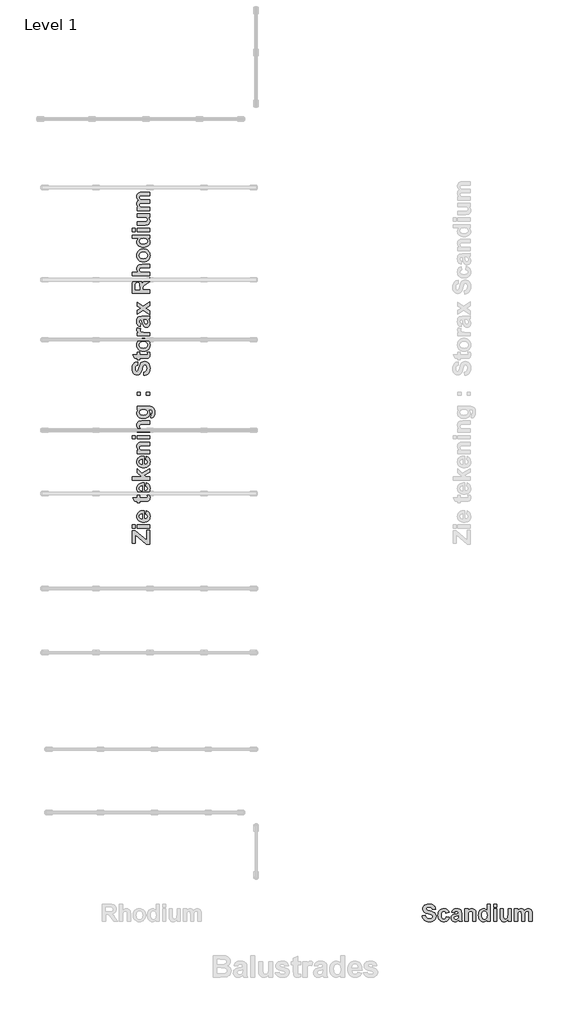
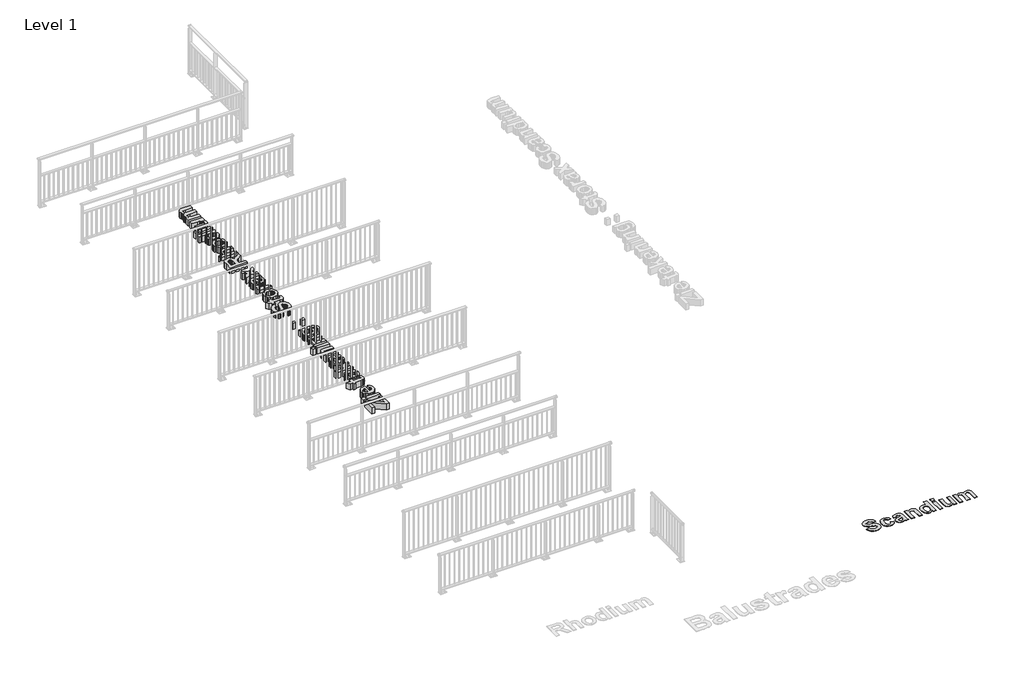
# One storey, part 12 of 20: 2 proxies.
"""IFC4 building model written with IfcOpenShell, lengths in millimetres."""

from ifc_helpers import new_model, si_unit, origin, origin_with_axes, place, context, project, spatial, polyline, outline, extrude, element, save

model = new_model("IFC4")

# Units and contexts
model_context = context("Model", 3, world=origin())
ifc_project = project(units=[si_unit("LENGTHUNIT", "METRE", prefix="MILLI")], contexts=[model_context])

# Site, building, storey
site = spatial("IfcSite", under=ifc_project)
building = spatial("IfcBuilding", under=site)
storey = spatial("IfcBuildingStorey", under=building, Name="Level 1", Elevation=0.0)

# Proxies
placement = place(None, origin())
element("IfcBuildingElementProxy", 1, Name="400mm", ObjectType="400mm", at=placement, inside=storey, context=model_context, shape_type="SweptSolid", body=[
    extrude(outline(polyline([(11145.7837333, -15604.7604972), (11221.9742095, -15598.4112909), (11233.0853206, -15632.4886718), (11251.7361143, -15656.1493861), (11278.0505984, -15669.9886718), (11312.1527809, -15674.6017671), (11347.544646, -15670.521906), (11372.966273, -15658.2823226), (11388.2936539, -15640.5863901), (11393.4027809, -15620.1374814), (11391.2822452, -15607.178652), (11384.9206381, -15596.2783544), (11373.2514912, -15587.0645647), (11355.2083365, -15579.1652591), (11289.1369079, -15562.2009734), (11232.7380984, -15544.6662512), (11211.9419674, -15534.429396), (11196.0813524, -15523.2128782), (11179.6316996, -15505.8455667), (11167.8819476, -15486.6801401), (11160.8320964, -15465.7165984), (11158.482146, -15442.9549417), (11162.7976222, -15413.490656), (11175.7440508, -15386.0104972), (11196.8254, -15362.6722036), (11225.5456381, -15345.6335131), (11261.4335349, -15335.2168464), (11304.0178603, -15331.7446242), (11339.2454149, -15333.9085627), (11369.8288722, -15340.4003782), (11395.7682323, -15351.2200706), (11417.0634952, -15366.3676401), (11433.7828653, -15385.1238405), (11445.9945468, -15406.7694258), (11453.6985399, -15431.304396), (11456.8948444, -15458.7287512), (11380.7043682, -15458.7287512), (11372.2842293, -15432.5506758), (11357.7380984, -15414.929148), (11335.7266897, -15404.9217075), (11304.9107174, -15401.5858941), (11272.4702412, -15405.132521), (11247.966273, -15415.772402), (11237.9960349, -15426.4370845), (11234.6726222, -15440.1771639), (11237.6984158, -15453.1483941), (11246.7757968, -15464.0858941), (11273.1274833, -15476.8959139), (11321.4285746, -15490.1275607), (11372.9786738, -15503.8924417), (11409.0773841, -15518.3021639), (11434.3750031, -15535.7500806), (11453.5218285, -15558.6295449), (11465.5754, -15587.225775), (11469.5932571, -15621.8239893), (11464.8437531, -15654.8597036), (11450.5952412, -15685.7128782), (11427.653773, -15711.6553385), (11396.8254, -15729.9589099), (11357.7753008, -15740.8220052), (11310.1686539, -15744.4430369), (11274.5659754, -15742.2139943), (11243.3531778, -15735.5268663), (11216.5302611, -15724.381653), (11194.0972254, -15708.7783544), (11175.8990607, -15688.9029824), (11161.7807571, -15664.9415488), (11151.7423147, -15636.8940538), (11145.7837333, -15604.7604972)])), origin_with_axes(), (0.0, 0.0, 1.0), 5.0),
    extrude(outline(polyline([(11774.3551619, -15528.570021), (11698.1646857, -15541.2684337), (11692.3239119, -15521.8859933), (11681.9444476, -15507.9847036), (11667.3983166, -15499.6141679), (11649.0575428, -15496.8239893), (11624.9007968, -15502.0571242), (11606.2004, -15517.756529), (11599.2125528, -15529.9775111), (11594.2212333, -15545.7079179), (11590.2281778, -15587.6970052), (11594.3824436, -15634.2495845), (11599.575276, -15651.5176897), (11606.8452412, -15664.7803385), (11626.3020865, -15681.6702195), (11651.4384952, -15687.3001798), (11670.4737135, -15684.0883742), (11685.7142889, -15674.4529575), (11697.0858166, -15656.9554377), (11704.513892, -15630.1573226), (11780.7043682, -15642.8557353), (11773.6824188, -15666.4637462), (11764.0253008, -15686.9901599), (11751.7330141, -15704.4349764), (11736.8055587, -15718.7981956), (11719.1809307, -15730.0178137), (11698.7971262, -15738.0318266), (11675.654145, -15742.8402343), (11649.7519873, -15744.4430369), (11620.3218037, -15741.9194754), (11594.0352214, -15734.3487909), (11570.8922403, -15721.7309833), (11550.8928603, -15704.0660528), (11534.7687283, -15681.9430369), (11523.2514912, -15655.9509734), (11516.341149, -15626.0898623), (11514.0377016, -15592.3597036), (11516.325648, -15558.2482204), (11523.1894873, -15528.1359933), (11534.6292194, -15502.023022), (11550.6448444, -15479.9093068), (11570.5667194, -15462.3094804), (11593.7252016, -15449.7381758), (11620.1202908, -15442.1953931), (11649.7519873, -15439.6811322), (11695.6101222, -15445.1746837), (11714.6143385, -15452.0416232), (11731.0019873, -15461.6553385), (11745.0210845, -15474.0778335), (11756.919646, -15489.3711123), (11774.3551619, -15528.570021)])), origin_with_axes(), (0.0, 0.0, 1.0), 5.0),
    extrude(outline(polyline([(11901.3392889, -15534.9192274), (11831.498019, -15522.2208147), (11846.6393881, -15485.6136718), (11857.232766, -15471.4023623), (11869.841273, -15459.9192274), (11885.1035498, -15451.0650607), (11903.6582373, -15444.740656), (11950.6448444, -15439.6811322), (11993.1299635, -15442.7441282), (12023.1646857, -15451.9331163), (12043.4523841, -15465.8220052), (12056.6964317, -15482.9847036), (12063.9880984, -15509.6588107), (12066.4186539, -15552.0819258), (12066.4186539, -15642.1612909), (12070.4365111, -15698.9073226), (12085.466273, -15738.0938306), (12009.2757968, -15738.0938306), (12002.1329397, -15713.8874814), (11999.4543682, -15704.2644655), (11979.7371063, -15721.8115885), (11958.6805587, -15734.3735925), (11936.2351222, -15741.9256758), (11912.3511936, -15744.4430369), (11891.7751768, -15742.9146391), (11873.4995071, -15738.3294456), (11857.5241847, -15730.6874566), (11843.8492095, -15719.9886718), (11832.8900081, -15706.9585379), (11825.0620071, -15692.3225012), (11820.3652065, -15676.0805617), (11818.7996063, -15658.2327195), (11821.5897849, -15634.8696242), (11829.9603206, -15614.1851004), (11843.3655785, -15597.0968068), (11861.2599238, -15584.522402), (11885.8382968, -15574.8745845), (11919.2956381, -15566.5660528), (11962.6240111, -15556.7694258), (11990.2281778, -15547.6176401), (11990.2281778, -15539.5819258), (11987.8596262, -15519.7902591), (11980.7539714, -15506.6454179), (11967.1006976, -15499.2793464), (11945.0892889, -15496.8239893), (11929.2906778, -15498.9321242), (11917.4107174, -15505.256529), (11908.4325428, -15516.8884734), (11901.3392889, -15534.9192274)]), holes=[polyline([(11990.2281778, -15604.7604972), (11947.2718285, -15615.3259734), (11908.7797651, -15627.3795449), (11898.4375031, -15638.2178385), (11894.9900825, -15651.6851004), (11897.7554595, -15665.1895647), (11906.0515904, -15676.7347036), (11918.6135944, -15684.6588107), (11934.1765904, -15687.3001798), (11952.8521857, -15684.2247829), (11970.5853206, -15674.9985925), (11981.2500031, -15664.631529), (11987.4504, -15652.1811322), (11990.2281778, -15618.5501798), (11990.2281778, -15604.7604972)])]), origin_with_axes(), (0.0, 0.0, 1.0), 5.0),
    extrude(outline(polyline([(12402.9265904, -15738.0938306), (12326.7361143, -15738.0938306), (12326.7361143, -15587.9946242), (12325.5456381, -15548.7089099), (12321.9742095, -15526.288275), (12315.6994079, -15513.8626798), (12306.3988127, -15504.5620845), (12294.5188524, -15498.7585131), (12280.5059555, -15496.8239893), (12262.0659754, -15499.5893663), (12245.6349238, -15507.8854972), (12232.638892, -15520.757521), (12224.5039714, -15537.2505766), (12220.2256976, -15563.3046441), (12218.7996063, -15604.8597036), (12218.7996063, -15738.0938306), (12142.6091301, -15738.0938306), (12142.6091301, -15446.0303385), (12218.7996063, -15446.0303385), (12218.7996063, -15488.0938306), (12238.0766401, -15466.913275), (12259.6974238, -15451.7843068), (12283.6619575, -15442.7069258), (12309.9702412, -15439.6811322), (12333.1349238, -15441.9876798), (12354.216273, -15448.9073226), (12371.8254, -15459.3983941), (12384.5734158, -15472.4192274), (12393.3159754, -15487.6598028), (12398.9087333, -15504.8101004), (12402.9265904, -15556.7446242), (12402.9265904, -15738.0938306)])), origin_with_axes(), (0.0, 0.0, 1.0), 5.0),
    extrude(outline(polyline([(12739.434527, -15738.0938306), (12663.2440508, -15738.0938306), (12663.2440508, -15696.0303385), (12644.6552611, -15717.396906), (12623.0158762, -15732.4886718), (12599.7643881, -15741.4544456), (12576.3392889, -15744.4430369), (12553.2397105, -15741.913275), (12531.857642, -15734.3239893), (12512.1930835, -15721.6751798), (12494.2460349, -15703.9668464), (12479.2937779, -15681.726023), (12468.6135944, -15655.4797433), (12462.2054843, -15625.2280072), (12460.0694476, -15590.9708147), (12462.2023841, -15556.1369853), (12468.6011936, -15525.7426401), (12479.2658762, -15499.787779), (12494.1964317, -15478.272402), (12512.388396, -15461.3887214), (12532.8373047, -15449.3289496), (12555.5431579, -15442.0930865), (12580.5059555, -15439.6811322), (12603.6086341, -15442.1798921), (12625.0992095, -15449.6761718), (12644.9776817, -15462.1699714), (12663.2440508, -15479.6612909), (12663.2440508, -15338.0938306), (12739.434527, -15338.0938306), (12739.434527, -15738.0938306)]), holes=[polyline([(12536.2599238, -15586.506529), (12539.434527, -15627.9747829), (12548.9583365, -15656.1493861), (12559.0463821, -15669.7778583), (12570.9573444, -15679.5124814), (12584.6912234, -15685.3532552), (12600.248019, -15687.3001798), (12624.5535746, -15681.459406), (12644.8908762, -15663.9370845), (12652.9203901, -15650.8139447), (12658.6557571, -15634.8076202), (12663.2440508, -15594.1454179), (12658.7921658, -15549.6141679), (12653.2273097, -15532.7893911), (12645.4365111, -15519.5918464), (12625.1116103, -15502.5159536), (12599.7519873, -15496.8239893), (12574.9504, -15502.4539496), (12554.513892, -15519.3438306), (12546.5277809, -15531.9864397), (12540.8234158, -15547.3944258), (12536.2599238, -15586.506529)])]), origin_with_axes(), (0.0, 0.0, 1.0), 5.0),
    extrude(outline(polyline([(12815.6250031, -15738.0938306), (12815.6250031, -15446.0303385), (12891.8154793, -15446.0303385), (12891.8154793, -15738.0938306), (12815.6250031, -15738.0938306)])), origin_with_axes(), (0.0, 0.0, 1.0), 5.0),
    extrude(outline(polyline([(12815.6250031, -15407.9351004), (12815.6250031, -15338.0938306), (12891.8154793, -15338.0938306), (12891.8154793, -15407.9351004), (12815.6250031, -15407.9351004)])), origin_with_axes(), (0.0, 0.0, 1.0), 5.0),
    extrude(outline(polyline([(13152.1329397, -15738.0938306), (13152.1329397, -15695.2366877), (13134.5858166, -15715.710398), (13112.3015904, -15731.2981956), (13086.9419674, -15741.1568266), (13060.1686539, -15744.4430369), (13033.7053603, -15741.2188306), (13010.0694476, -15731.5462115), (12990.9226222, -15716.0328187), (12977.9265904, -15695.2862909), (12970.4861143, -15667.4465091), (12968.0059555, -15630.6533544), (12968.0059555, -15446.0303385), (13044.1964317, -15446.0303385), (13044.1964317, -15581.0501798), (13045.2256976, -15631.037779), (13048.3134952, -15656.9926401), (13054.1418682, -15669.4926401), (13063.3928603, -15679.115656), (13075.8308563, -15685.2540488), (13091.2202412, -15687.3001798), (13109.4618087, -15684.5720052), (13125.6944476, -15676.3874814), (13138.5168682, -15664.147898), (13146.5277809, -15649.2545449), (13150.73165, -15621.3155568), (13152.1329397, -15569.9390687), (13152.1329397, -15446.0303385), (13228.3234158, -15446.0303385), (13228.3234158, -15738.0938306), (13152.1329397, -15738.0938306)])), origin_with_axes(), (0.0, 0.0, 1.0), 5.0),
    extrude(outline(polyline([(13298.1646857, -15446.0303385), (13374.3551619, -15446.0303385), (13374.3551619, -15485.1176401), (13393.1113623, -15465.2391679), (13413.5664714, -15451.0402591), (13435.7204893, -15442.5209139), (13459.5734158, -15439.6811322), (13484.1145865, -15442.4713107), (13505.1587333, -15450.8418464), (13522.7306579, -15464.8671441), (13536.8551619, -15484.6216083), (13556.3616103, -15464.8671441), (13577.3809555, -15450.8418464), (13599.888396, -15442.4713107), (13623.8591301, -15439.6811322), (13652.8025825, -15442.9425409), (13676.934527, -15452.7267671), (13695.9325428, -15468.835398), (13709.4742095, -15491.070021), (13715.2777809, -15515.4995845), (13717.2123047, -15551.4866877), (13717.2123047, -15738.0938306), (13641.0218285, -15738.0938306), (13641.0218285, -15569.9390687), (13639.0873047, -15533.9519655), (13633.2837333, -15513.490656), (13620.138892, -15500.990656), (13601.3392889, -15496.8239893), (13586.1235151, -15499.3165488), (13571.8254, -15506.7942274), (13559.9206381, -15519.0834139), (13551.8849238, -15536.0104972), (13547.3090309, -15560.8368861), (13545.7837333, -15596.8239893), (13545.7837333, -15738.0938306), (13469.5932571, -15738.0938306), (13469.5932571, -15576.8835131), (13465.6250031, -15521.4767671), (13460.5778801, -15510.6136718), (13453.373019, -15502.9251798), (13443.5887928, -15498.3492869), (13430.8035746, -15496.8239893), (13414.5089317, -15499.2421441), (13399.9504, -15506.4966083), (13388.1944476, -15518.3269655), (13380.3075428, -15534.4727988), (13375.8432571, -15558.7907552), (13374.3551619, -15595.1374814), (13374.3551619, -15738.0938306), (13298.1646857, -15738.0938306), (13298.1646857, -15446.0303385)])), origin_with_axes(), (0.0, 0.0, 1.0), 5.0),
])
element("IfcBuildingElementProxy", 2, Name="400mm", ObjectType="400mm", at=placement, inside=storey, context=model_context, shape_type="SweptSolid", body=[
    extrude(outline(polyline([(4773.6643168, -6913.9641128), (4695.9302673, -6913.9641128), (4436.8167689, -6695.2358823), (4436.8167689, -6888.0527629), (4365.5605568, -6888.0527629), (4365.5605568, -6596.5500772), (4436.8167689, -6596.5500772), (4702.4081047, -6820.7439831), (4702.4081047, -6590.0722398), (4773.6643168, -6590.0722398), (4773.6643168, -6913.9641128)])), origin_with_axes(), (0.0, 0.0, 1.0), 150.0),
    extrude(outline(polyline([(4773.6643168, -6538.2495401), (4475.6837936, -6538.2495401), (4475.6837936, -6460.5154906), (4773.6643168, -6460.5154906), (4773.6643168, -6538.2495401)])), origin_with_axes(), (0.0, 0.0, 1.0), 150.0),
    extrude(outline(polyline([(4436.8167689, -6538.2495401), (4365.5605568, -6538.2495401), (4365.5605568, -6460.5154906), (4436.8167689, -6460.5154906), (4436.8167689, -6538.2495401)])), origin_with_axes(), (0.0, 0.0, 1.0), 150.0),
    extrude(outline(polyline([(4682.9745924, -6214.3576671), (4695.9302673, -6136.6236176), (4732.2036266, -6155.5510489), (4746.6490777, -6168.2030752), (4758.6337096, -6182.9806419), (4768.0436541, -6199.8141629), (4774.7650431, -6218.634052), (4780.1421543, -6262.2329346), (4776.9728217, -6297.4371977), (4767.4648239, -6327.7451267), (4751.618161, -6353.1567215), (4729.4328329, -6373.6719821), (4707.8041939, -6386.1595321), (4683.5059775, -6395.0792106), (4656.5381834, -6400.4310177), (4626.9008118, -6402.2149534), (4591.9559152, -6399.8490245), (4561.0090589, -6392.7512378), (4534.0602429, -6380.9215932), (4511.1094672, -6364.3600908), (4492.7766811, -6344.1801088), (4479.6818339, -6321.4950257), (4471.8249256, -6296.3048414), (4469.2059562, -6268.6095558), (4471.8945118, -6237.8335019), (4479.9601785, -6210.4861471), (4493.4029564, -6186.5674914), (4512.2228456, -6166.0775348), (4536.5969742, -6149.7500948), (4566.7024708, -6138.3189891), (4602.5393352, -6131.7842175), (4644.1075676, -6130.1457801), (4644.1075676, -6324.4809039), (4676.8510116, -6319.4960056), (4701.3959426, -6306.1607698), (4716.7301985, -6286.499521), (4721.8416171, -6262.5365832), (4719.5389483, -6246.2154693), (4712.630942, -6232.6778012), (4700.611517, -6222.024795), (4682.9745924, -6214.3576671)]), holes=[polyline([(4598.7627054, -6207.8798296), (4568.0309335, -6212.6116875), (4545.6748031, -6225.1878016), (4532.0485707, -6243.4573276), (4527.5064933, -6265.2694209), (4532.2889592, -6288.2961087), (4546.6363571, -6306.9704995), (4569.2834841, -6319.217661), (4598.7627054, -6323.1650932), (4598.7627054, -6207.8798296)])]), origin_with_axes(), (0.0, 0.0, 1.0), 150.0),
    extrude(outline(polyline([(4475.6837936, -5773.8647198), (4533.9843308, -5773.8647198), (4533.9843308, -5832.165257), (4661.8204044, -5832.165257), (4707.0134423, -5830.3939733), (4717.6411444, -5822.3472846), (4721.8416171, -5807.0636368), (4714.3516175, -5770.6258011), (4769.6156684, -5767.3868824), (4777.5105328, -5797.3721847), (4780.1421543, -5831.0518786), (4778.3202625, -5851.7505936), (4772.8545871, -5870.3237682), (4764.5042498, -5885.4935478), (4754.028372, -5895.9820776), (4740.4400958, -5902.9027359), (4722.752563, -5907.3689012), (4666.1727014, -5909.8993065), (4533.9843308, -5909.8993065), (4533.9843308, -5948.7663312), (4475.6837936, -5948.7663312), (4475.6837936, -5909.8993065), (4417.3832565, -5909.8993065), (4372.0383943, -5832.165257), (4475.6837936, -5832.165257), (4475.6837936, -5773.8647198)])), origin_with_axes(), (0.0, 0.0, 1.0), 150.0),
    extrude(outline(polyline([(4682.9745924, -5560.0960836), (4695.9302673, -5482.3620341), (4732.2036266, -5501.2894654), (4746.6490777, -5513.9414917), (4758.6337096, -5528.7190584), (4768.0436541, -5545.5525794), (4774.7650431, -5564.3724685), (4780.1421543, -5607.9713511), (4776.9728217, -5643.1756143), (4767.4648239, -5673.4835432), (4751.618161, -5698.895138), (4729.4328329, -5719.4103987), (4707.8041939, -5731.8979486), (4683.5059775, -5740.8176271), (4656.5381834, -5746.1694343), (4626.9008118, -5747.95337), (4591.9559152, -5745.5874411), (4561.0090589, -5738.4896543), (4534.0602429, -5726.6600097), (4511.1094672, -5710.0985073), (4492.7766811, -5689.9185254), (4479.6818339, -5667.2334422), (4471.8249256, -5642.0432579), (4469.2059562, -5614.3479724), (4471.8945118, -5583.5719184), (4479.9601785, -5556.2245636), (4493.4029564, -5532.3059079), (4512.2228456, -5511.8159513), (4536.5969742, -5495.4885114), (4566.7024708, -5484.0574056), (4602.5393352, -5477.5226341), (4644.1075676, -5475.8841967), (4644.1075676, -5670.2193205), (4676.8510116, -5665.2344221), (4701.3959426, -5651.8991864), (4716.7301985, -5632.2379375), (4721.8416171, -5608.2749997), (4719.5389483, -5591.9538858), (4712.630942, -5578.4162177), (4700.611517, -5567.7632116), (4682.9745924, -5560.0960836)]), holes=[polyline([(4598.7627054, -5553.6182462), (4568.0309335, -5558.350104), (4545.6748031, -5570.9262181), (4532.0485707, -5589.1957441), (4527.5064933, -5611.0078374), (4532.2889592, -5634.0345253), (4546.6363571, -5652.7089161), (4569.2834841, -5664.9560775), (4598.7627054, -5668.9035097), (4598.7627054, -5553.6182462)])]), origin_with_axes(), (0.0, 0.0, 1.0), 150.0),
    extrude(outline(polyline([(4773.6643168, -5417.5836595), (4365.5605568, -5417.5836595), (4365.5605568, -5339.84961), (4580.6450037, -5339.84961), (4475.6837936, -5245.9209668), (4475.6837936, -5155.2312424), (4585.1997332, -5255.131642), (4773.6643168, -5148.7534049), (4773.6643168, -5226.4874544), (4640.1601354, -5305.1324499), (4678.2174305, -5339.84961), (4773.6643168, -5339.84961), (4773.6643168, -5417.5836595)])), origin_with_axes(), (0.0, 0.0, 1.0), 150.0),
    extrude(outline(polyline([(4682.9745924, -4938.2236875), (4695.9302673, -4860.4896379), (4732.2036266, -4879.4170693), (4746.6490777, -4892.0690956), (4758.6337096, -4906.8466623), (4768.0436541, -4923.6801832), (4774.7650431, -4942.5000724), (4780.1421543, -4986.0989549), (4776.9728217, -5021.3032181), (4767.4648239, -5051.6111471), (4751.618161, -5077.0227419), (4729.4328329, -5097.5380025), (4707.8041939, -5110.0255524), (4683.5059775, -5118.945231), (4656.5381834, -5124.2970381), (4626.9008118, -5126.0809738), (4591.9559152, -5123.7150449), (4561.0090589, -5116.6172581), (4534.0602429, -5104.7876136), (4511.1094672, -5088.2261112), (4492.7766811, -5068.0461292), (4479.6818339, -5045.3610461), (4471.8249256, -5020.1708617), (4469.2059562, -4992.4755762), (4471.8945118, -4961.6995222), (4479.9601785, -4934.3521674), (4493.4029564, -4910.4335117), (4512.2228456, -4889.9435551), (4536.5969742, -4873.6161152), (4566.7024708, -4862.1850095), (4602.5393352, -4855.6502379), (4644.1075676, -4854.0118005), (4644.1075676, -5048.3469243), (4676.8510116, -5043.3620259), (4701.3959426, -5030.0267902), (4716.7301985, -5010.3655414), (4721.8416171, -4986.4026036), (4719.5389483, -4970.0814897), (4712.630942, -4956.5438215), (4700.611517, -4945.8908154), (4682.9745924, -4938.2236875)]), holes=[polyline([(4598.7627054, -4931.74585), (4568.0309335, -4936.4777078), (4545.6748031, -4949.053822), (4532.0485707, -4967.3233479), (4527.5064933, -4989.1354413), (4532.2889592, -5012.1621291), (4546.6363571, -5030.8365199), (4569.2834841, -5043.0836814), (4598.7627054, -5047.0311136), (4598.7627054, -4931.74585)])]), origin_with_axes(), (0.0, 0.0, 1.0), 150.0),
    extrude(outline(polyline([(4773.6643168, -4530.1199275), (4773.6643168, -4607.853977), (4620.5241906, -4607.853977), (4580.4425713, -4609.0685715), (4557.5677078, -4612.7123551), (4544.8903774, -4619.1142804), (4535.4013577, -4628.6033001), (4529.4802094, -4640.7239413), (4527.5064933, -4655.020731), (4530.3278952, -4673.8342941), (4538.7921008, -4690.5982289), (4551.924904, -4703.8575525), (4568.752099, -4712.1572817), (4595.3340062, -4716.5222308), (4637.7309463, -4717.9772138), (4773.6643168, -4717.9772138), (4773.6643168, -4795.7112633), (4475.6837936, -4795.7112633), (4475.6837936, -4717.9772138), (4518.5994668, -4717.9772138), (4496.9898059, -4698.309639), (4481.5543338, -4676.2508311), (4472.2930506, -4651.8007903), (4469.2059562, -4624.9595165), (4471.5592331, -4601.3255314), (4478.6190637, -4579.8170867), (4489.322678, -4561.8512094), (4502.6073056, -4548.8449264), (4518.1566459, -4539.9252479), (4535.6543982, -4534.219184), (4588.6410843, -4530.1199275), (4773.6643168, -4530.1199275)])), origin_with_axes(), (0.0, 0.0, 1.0), 150.0),
    extrude(outline(polyline([(4773.6643168, -4452.385878), (4475.6837936, -4452.385878), (4475.6837936, -4374.6518284), (4773.6643168, -4374.6518284), (4773.6643168, -4452.385878)])), origin_with_axes(), (0.0, 0.0, 1.0), 150.0),
    extrude(outline(polyline([(4436.8167689, -4452.385878), (4365.5605568, -4452.385878), (4365.5605568, -4374.6518284), (4436.8167689, -4374.6518284), (4436.8167689, -4452.385878)])), origin_with_axes(), (0.0, 0.0, 1.0), 150.0),
    extrude(outline(polyline([(4773.6643168, -4031.3264431), (4773.6643168, -4109.0604926), (4620.5241906, -4109.0604926), (4580.4425713, -4110.2750871), (4557.5677078, -4113.9188707), (4544.8903774, -4120.320796), (4535.4013577, -4129.8098157), (4529.4802094, -4141.9304569), (4527.5064933, -4156.2272466), (4530.3278952, -4175.0408097), (4538.7921008, -4191.8047445), (4551.924904, -4205.0640681), (4568.752099, -4213.3637973), (4595.3340062, -4217.7287464), (4637.7309463, -4219.1837294), (4773.6643168, -4219.1837294), (4773.6643168, -4296.9177789), (4475.6837936, -4296.9177789), (4475.6837936, -4219.1837294), (4518.5994668, -4219.1837294), (4496.9898059, -4199.5161545), (4481.5543338, -4177.4573467), (4472.2930506, -4153.0073059), (4469.2059562, -4126.1660321), (4471.5592331, -4102.532047), (4478.6190637, -4081.0236023), (4489.322678, -4063.057725), (4502.6073056, -4050.051442), (4518.1566459, -4041.1317634), (4535.6543982, -4035.4256996), (4588.6410843, -4031.3264431), (4773.6643168, -4031.3264431)])), origin_with_axes(), (0.0, 0.0, 1.0), 150.0),
    extrude(outline(polyline([(4793.0978292, -3960.070231), (4806.0535041, -3869.3805066), (4817.4909359, -3865.9138514), (4824.6772868, -3859.7649666), (4830.1429621, -3846.2779066), (4831.9648539, -3826.8696982), (4829.6621851, -3801.71747), (4822.7541788, -3783.7515926), (4814.682186, -3775.3000391), (4802.8145854, -3769.1764583), (4766.5791821, -3765.7351072), (4723.1574278, -3765.7351072), (4745.2541918, -3785.7822429), (4761.0375946, -3807.4614899), (4770.5076362, -3830.7728483), (4773.6643168, -3855.7163182), (4770.4949842, -3882.9624568), (4760.9869864, -3907.2100652), (4745.1403235, -3928.4591433), (4722.9549954, -3946.7096912), (4701.6869392, -3958.2230352), (4677.9643899, -3966.4468522), (4651.7873475, -3971.3811425), (4623.1558121, -3973.0259059), (4587.9167558, -3970.8718984), (4557.0995828, -3964.409876), (4530.704293, -3953.6398386), (4508.7308863, -3938.5617863), (4491.4387294, -3920.2764453), (4479.0871887, -3899.8845419), (4471.6762643, -3877.3860762), (4469.2059562, -3852.7810481), (4472.1349003, -3827.5276036), (4480.9217325, -3804.602132), (4495.5664529, -3784.0046332), (4516.0690615, -3765.7351072), (4475.6837936, -3765.7351072), (4475.6837936, -3688.0010577), (4740.3641836, -3688.0010577), (4785.9241303, -3690.1139461), (4818.3512736, -3696.4526112), (4841.4159176, -3706.5995363), (4858.8883659, -3720.1372045), (4871.9832131, -3737.9259534), (4881.9150537, -3760.826121), (4888.1778067, -3789.6600889), (4890.2653911, -3825.2502389), (4888.7091918, -3859.3664278), (4884.0405941, -3888.1308095), (4876.259598, -3911.5433842), (4865.3662033, -3929.6041517), (4852.0815757, -3943.0659077), (4837.1268807, -3952.6814476), (4820.5021181, -3958.4507716), (4802.2072881, -3960.3738796), (4793.0978292, -3960.070231)]), holes=[polyline([(4620.220542, -3895.2918564), (4662.9843908, -3890.8003871), (4679.3940689, -3885.1860504), (4692.4889161, -3877.3259791), (4709.6450638, -3857.2472133), (4715.3637797, -3832.9426708), (4709.4932395, -3806.8921487), (4691.8816189, -3785.2192277), (4678.7298375, -3776.694925), (4662.7566543, -3770.6061373), (4622.3460824, -3765.7351072), (4580.3793112, -3770.4037049), (4564.0550343, -3776.239452), (4550.8368298, -3784.409498), (4533.3390774, -3805.5510339), (4527.5064933, -3831.6268601), (4533.2252092, -3856.9182607), (4550.3813568, -3877.3259791), (4563.3243797, -3885.1860504), (4579.2785849, -3890.8003871), (4620.220542, -3895.2918564)])]), origin_with_axes(), (0.0, 0.0, 1.0), 150.0),
    extrude(outline(polyline([(4553.4178431, -3435.3653967), (4475.6837936, -3435.3653967), (4475.6837936, -3357.6313472), (4553.4178431, -3357.6313472), (4553.4178431, -3435.3653967)])), origin_with_axes(), (0.0, 0.0, 1.0), 150.0),
    extrude(outline(polyline([(4773.6643168, -3435.3653967), (4695.9302673, -3435.3653967), (4695.9302673, -3357.6313472), (4773.6643168, -3357.6313472), (4773.6643168, -3435.3653967)])), origin_with_axes(), (0.0, 0.0, 1.0), 150.0),
    extrude(outline(polyline([(4637.6297301, -2968.9610996), (4631.1518927, -2891.2270501), (4665.9196609, -2879.8908345), (4690.0597271, -2860.862187), (4704.1793884, -2834.0145872), (4708.8859422, -2799.2215149), (4704.7234255, -2763.1126319), (4692.2358756, -2737.175978), (4674.1814341, -2721.5380735), (4653.3182427, -2716.3254387), (4640.0968753, -2718.4889352), (4628.9757441, -2724.9794247), (4619.5752886, -2736.8849814), (4611.5159479, -2755.2936796), (4594.2079759, -2822.7036757), (4576.3180107, -2880.2450913), (4565.873763, -2901.4625394), (4554.4300053, -2917.644481), (4536.7108424, -2934.4273939), (4517.1571358, -2946.4151888), (4495.7688854, -2953.6078657), (4472.5460911, -2956.0054247), (4442.4848766, -2951.6025195), (4414.4479864, -2938.3938041), (4390.6368729, -2916.8853594), (4373.2529888, -2887.5832665), (4362.6252867, -2850.9683024), (4359.0827193, -2807.5212442), (4361.2904979, -2771.5800005), (4367.9138337, -2740.3769406), (4378.9527266, -2713.9120647), (4394.4071767, -2692.1853725), (4413.5433665, -2675.1272781), (4435.6274784, -2662.6681952), (4460.6595124, -2654.8081238), (4488.6394685, -2651.5470641), (4488.6394685, -2729.2811136), (4461.9310411, -2737.8718394), (4443.9525117, -2752.7126663), (4433.7423265, -2775.1700129), (4430.3389314, -2806.6102983), (4433.9574109, -2839.707999), (4444.8128495, -2864.708403), (4455.6935921, -2874.8806321), (4469.7120372, -2878.2713752), (4482.9460567, -2875.1842808), (4494.1051439, -2865.9229975), (4507.1746871, -2839.0374416), (4520.6743991, -2789.7577993), (4534.7181483, -2737.163326), (4549.4198028, -2700.3332774), (4567.2212038, -2674.5231438), (4590.5641923, -2654.9884152), (4619.739765, -2642.6906457), (4655.0389183, -2638.5913892), (4688.7439163, -2643.4371152), (4720.2221577, -2657.9742934), (4746.6901967, -2681.3805421), (4765.3645875, -2712.8334794), (4776.4477626, -2752.6747102), (4780.1421543, -2801.2458391), (4777.8679525, -2837.5698066), (4771.0453473, -2869.4149568), (4759.6743387, -2896.7812896), (4743.7549266, -2919.6688052), (4723.4768915, -2938.2356538), (4699.0300137, -2952.6399857), (4670.4142933, -2962.881801), (4637.6297301, -2968.9610996)])), origin_with_axes(), (0.0, 0.0, 1.0), 150.0),
    extrude(outline(polyline([(4475.6837936, -2431.3005904), (4533.9843308, -2431.3005904), (4533.9843308, -2489.6011276), (4661.8204044, -2489.6011276), (4707.0134423, -2487.8298439), (4717.6411444, -2479.7831552), (4721.8416171, -2464.4995074), (4714.3516175, -2428.0616717), (4769.6156684, -2424.822753), (4777.5105328, -2454.8080553), (4780.1421543, -2488.4877493), (4778.3202625, -2509.1864643), (4772.8545871, -2527.7596389), (4764.5042498, -2542.9294184), (4754.028372, -2553.4179482), (4740.4400958, -2560.3386066), (4722.752563, -2564.8047718), (4666.1727014, -2567.3351771), (4533.9843308, -2567.3351771), (4533.9843308, -2606.2022019), (4475.6837936, -2606.2022019), (4475.6837936, -2567.3351771), (4417.3832565, -2567.3351771), (4372.0383943, -2489.6011276), (4475.6837936, -2489.6011276), (4475.6837936, -2431.3005904)])), origin_with_axes(), (0.0, 0.0, 1.0), 150.0),
    extrude(outline(polyline([(4620.4229744, -2405.3892406), (4581.8722503, -2400.5941226), (4544.5614247, -2386.2087687), (4512.2101935, -2363.0429086), (4488.5382523, -2331.9062719), (4474.0390302, -2294.7346187), (4469.2059562, -2253.4637089), (4471.9451199, -2221.4762234), (4480.1626109, -2192.5188983), (4493.8584294, -2166.5917334), (4513.0325752, -2143.6947288), (4536.3945418, -2124.9855449), (4562.6538223, -2111.6218422), (4591.8104169, -2103.6036205), (4623.8643255, -2100.93088), (4656.1744377, -2103.6320876), (4685.5935618, -2111.7357104), (4712.1216979, -2125.2417485), (4735.758846, -2144.1502018), (4755.1765434, -2167.1515856), (4769.0463272, -2192.9364151), (4777.3681975, -2221.5046905), (4780.1421543, -2252.8564116), (4775.5241647, -2292.49521), (4761.6701959, -2330.2362044), (4738.8838965, -2362.6253917), (4707.4689152, -2386.2087687), (4667.8427689, -2400.5941226), (4620.4229744, -2405.3892406)]), holes=[polyline([(4624.6740552, -2327.6551911), (4666.2359616, -2322.2780799), (4682.8891912, -2315.5566909), (4696.7906051, -2306.1467464), (4707.7504228, -2294.7630857), (4715.5788641, -2282.1205485), (4720.2759289, -2268.2191346), (4721.8416171, -2253.0588441), (4720.2759289, -2237.9048796), (4715.5788641, -2224.0224437), (4707.7504228, -2211.4115365), (4696.7906051, -2200.072158), (4682.8512351, -2190.7064955), (4666.0841373, -2184.0167366), (4624.0667579, -2178.6649295), (4582.9603245, -2184.0167366), (4566.4209632, -2190.7064955), (4552.5575054, -2200.072158), (4541.5976876, -2211.4115365), (4533.7692463, -2224.0224437), (4529.0721816, -2237.9048796), (4527.5064933, -2253.0588441), (4529.0721816, -2268.2191346), (4533.7692463, -2282.1205485), (4541.5976876, -2294.7630857), (4552.5575054, -2306.1467464), (4566.4589192, -2315.5566909), (4583.1121489, -2322.2780799), (4624.6740552, -2327.6551911)])]), origin_with_axes(), (0.0, 0.0, 1.0), 150.0),
    extrude(outline(polyline([(4773.6643168, -1964.8962933), (4773.6643168, -2042.6303428), (4475.6837936, -2042.6303428), (4475.6837936, -1964.8962933), (4517.1824399, -1964.8962933), (4492.7766811, -1948.4739632), (4478.4672394, -1933.8229167), (4471.521277, -1919.0959581), (4469.2059562, -1902.4458915), (4473.3052127, -1878.1793051), (4485.6029822, -1854.7730565), (4559.592032, -1877.4454876), (4550.1030123, -1896.1704865), (4546.9400057, -1913.4784585), (4549.1541103, -1928.4205015), (4555.7964241, -1940.8574434), (4568.2080619, -1950.8525441), (4587.7301384, -1958.469064), (4623.4594607, -1963.289486), (4684.4928355, -1964.8962933), (4773.6643168, -1964.8962933)])), origin_with_axes(), (0.0, 0.0, 1.0), 150.0),
    extrude(outline(polyline([(4566.3735181, -1757.6054946), (4553.4178431, -1828.8617066), (4516.0690615, -1813.4135825), (4501.5698394, -1802.6055891), (4489.8540631, -1789.7416414), (4480.8205163, -1774.17016), (4474.3679829, -1755.2395657), (4469.2059562, -1707.3010381), (4472.3310067, -1663.955196), (4481.7061581, -1633.3119883), (4495.8764276, -1612.6132733), (4513.386832, -1599.1009092), (4540.6013405, -1591.6615178), (4583.8839225, -1589.1817206), (4675.7882414, -1589.1817206), (4733.6839137, -1585.0824641), (4773.6643168, -1569.7482082), (4773.6643168, -1647.4822578), (4748.9675615, -1654.7698249), (4739.1495891, -1657.5026626), (4757.0522063, -1677.6193844), (4769.8687089, -1699.102525), (4777.5737929, -1722.0026926), (4780.1421543, -1746.3704952), (4778.582792, -1767.3633699), (4773.9047053, -1786.0092936), (4766.1078941, -1802.3082665), (4755.1923584, -1816.2602885), (4741.8982418, -1827.4415167), (4726.9656878, -1835.4281083), (4710.3946963, -1840.2200632), (4692.1852675, -1841.8173816), (4668.34885, -1838.9706757), (4647.2452701, -1830.4305579), (4629.8107779, -1816.7537175), (4616.9816232, -1798.4968436), (4607.1383468, -1773.4205274), (4598.6614892, -1739.2853605), (4588.6663884, -1695.0791807), (4579.329193, -1666.9157701), (4571.13068, -1666.9157701), (4550.938046, -1669.3323072), (4537.5268981, -1676.5819182), (4530.0115945, -1690.5117992), (4527.5064933, -1712.9691458), (4529.6573378, -1729.0878273), (4536.1098712, -1741.2084685), (4547.9774718, -1750.3685355), (4566.3735181, -1757.6054946)]), holes=[polyline([(4637.6297301, -1666.9157701), (4648.4092565, -1710.7423892), (4660.7070261, -1750.0142788), (4671.7648971, -1760.5660687), (4685.5049976, -1764.083332), (4699.2830542, -1761.2619302), (4711.0620907, -1752.7977246), (4719.1467355, -1739.981222), (4721.8416171, -1724.102929), (4718.7039146, -1705.0489774), (4709.290807, -1686.9565798), (4698.7137131, -1676.0758372), (4686.0110787, -1669.749824), (4651.6987834, -1666.9157701), (4637.6297301, -1666.9157701)])]), origin_with_axes(), (0.0, 0.0, 1.0), 150.0),
    extrude(outline(polyline([(4773.6643168, -1547.0757771), (4620.220542, -1441.8109184), (4475.6837936, -1534.1201022), (4475.6837936, -1441.7097022), (4557.5677078, -1396.7697048), (4475.6837936, -1347.9834914), (4475.6837936, -1255.5730914), (4616.7791908, -1350.6151129), (4773.6643168, -1242.6174165), (4773.6643168, -1335.0278165), (4681.355133, -1396.7697048), (4773.6643168, -1454.6653771), (4773.6643168, -1547.0757771)])), origin_with_axes(), (0.0, 0.0, 1.0), 150.0),
    extrude(outline(polyline([(4773.6643168, -1045.043374), (4365.5605568, -1045.043374), (4365.5605568, -873.3806813), (4368.3186985, -817.4587251), (4376.5931237, -779.2496057), (4391.9273796, -752.8321748), (4415.8650133, -732.2852841), (4446.1539643, -719.0765687), (4480.5421717, -714.6736635), (4502.6136316, -716.2646558), (4522.6734193, -721.0376327), (4540.7215348, -728.9925943), (4556.7579781, -740.1295404), (4570.3968624, -754.4358191), (4581.252301, -771.8987784), (4589.3242938, -792.5184183), (4594.6128407, -816.2947387), (4610.8580425, -793.7488278), (4628.6214874, -775.5046059), (4654.3557089, -756.6277827), (4694.5132403, -732.1840679), (4773.6643168, -682.2844762), (4773.6643168, -773.0754169), (4680.4441871, -832.1856837), (4625.1295282, -878.5933161), (4615.5266402, -891.4730789), (4609.4916237, -905.1119632), (4605.2405428, -949.4952714), (4605.2405428, -967.3093245), (4773.6643168, -967.3093245), (4773.6643168, -1045.043374)]), holes=[polyline([(4533.9843308, -967.3093245), (4533.9843308, -903.2394633), (4532.8076923, -852.6693143), (4529.277777, -825.4548057), (4522.8758517, -811.6134889), (4513.0831833, -801.1629152), (4500.1654645, -794.5965136), (4484.3883877, -792.407713), (4466.9159394, -795.292375), (4453.1631868, -803.946361), (4443.4590827, -817.8635899), (4438.1325796, -836.5379807), (4436.8167689, -899.696896), (4436.8167689, -967.3093245), (4533.9843308, -967.3093245)])]), origin_with_axes(), (0.0, 0.0, 1.0), 150.0),
    extrude(outline(polyline([(4365.5605568, -559.2055645), (4513.3362239, -559.2055645), (4494.0292317, -539.6771619), (4480.2385231, -518.3395196), (4471.9640979, -495.1926375), (4469.2059562, -470.2365156), (4471.7237094, -444.932463), (4479.2769691, -422.2600319), (4490.765009, -403.535033), (4505.0871027, -390.073277), (4521.6486051, -380.9638181), (4539.854871, -375.2957103), (4598.9651378, -371.3482781), (4773.6643168, -371.3482781), (4773.6643168, -449.0823277), (4615.1597314, -449.0823277), (4576.5330952, -450.1704019), (4555.1891268, -453.4346247), (4543.7896511, -459.4569892), (4534.9964929, -468.8194887), (4529.3789932, -481.2184744), (4527.5064933, -496.3502979), (4529.9103783, -514.3667833), (4537.1220333, -530.3589445), (4549.1667623, -543.3272715), (4566.0698694, -552.2722541), (4590.0581113, -557.4722369), (4623.3582445, -559.2055645), (4773.6643168, -559.2055645), (4773.6643168, -636.939614), (4365.5605568, -636.939614), (4365.5605568, -559.2055645)])), origin_with_axes(), (0.0, 0.0, 1.0), 150.0),
    extrude(outline(polyline([(4620.4229744, -313.047741), (4581.8722503, -308.252623), (4544.5614247, -293.8672691), (4512.2101935, -270.701409), (4488.5382523, -239.5647723), (4474.0390302, -202.3931191), (4469.2059562, -161.1222093), (4471.9451199, -129.1347238), (4480.1626109, -100.1773987), (4493.8584294, -74.2502338), (4513.0325752, -51.3532292), (4536.3945418, -32.6440454), (4562.6538223, -19.2803426), (4591.8104169, -11.2621209), (4623.8643255, -8.5893804), (4656.1744377, -11.290588), (4685.5935618, -19.3942108), (4712.1216979, -32.9002489), (4735.758846, -51.8087022), (4755.1765434, -74.810086), (4769.0463272, -100.5949155), (4777.3681975, -129.1631909), (4780.1421543, -160.5149121), (4775.5241647, -200.1537104), (4761.6701959, -237.8947048), (4738.8838965, -270.2838921), (4707.4689152, -293.8672691), (4667.8427689, -308.252623), (4620.4229744, -313.047741)]), holes=[polyline([(4624.6740552, -235.3136915), (4666.2359616, -229.9365803), (4682.8891912, -223.2151913), (4696.7906051, -213.8052468), (4707.7504228, -202.4215861), (4715.5788641, -189.7790489), (4720.2759289, -175.877635), (4721.8416171, -160.7173445), (4720.2759289, -145.56338), (4715.5788641, -131.6809441), (4707.7504228, -119.0700369), (4696.7906051, -107.7306584), (4682.8512351, -98.3649959), (4666.0841373, -91.675237), (4624.0667579, -86.3234299), (4582.9603245, -91.675237), (4566.4209632, -98.3649959), (4552.5575054, -107.7306584), (4541.5976876, -119.0700369), (4533.7692463, -131.6809441), (4529.0721816, -145.56338), (4527.5064933, -160.7173445), (4529.0721816, -175.877635), (4533.7692463, -189.7790489), (4541.5976876, -202.4215861), (4552.5575054, -213.8052468), (4566.4589192, -223.2151913), (4583.1121489, -229.9365803), (4624.6740552, -235.3136915)])]), origin_with_axes(), (0.0, 0.0, 1.0), 150.0),
    extrude(outline(polyline([(4773.6643168, 315.3024926), (4773.6643168, 237.5684431), (4730.7486436, 237.5684431), (4752.5480849, 218.6030557), (4767.9456009, 196.5252698), (4777.0930159, 172.8027205), (4780.1421543, 148.9030429), (4777.5611409, 125.3354809), (4769.8181008, 103.5202246), (4756.913034, 83.4572739), (4738.8459404, 65.1466288), (4716.1545313, 49.8914481), (4689.3765177, 38.9948905), (4658.5118995, 32.4569559), (4623.5606769, 30.2776444), (4588.0211351, 32.4537929), (4557.0110186, 38.9822385), (4530.5303276, 49.8629811), (4508.579062, 65.0960207), (4491.3533282, 83.6565433), (4479.0492326, 104.5197347), (4471.6667753, 127.6855948), (4469.2059562, 153.1541237), (4471.7553395, 176.7248487), (4479.4034894, 198.6508102), (4492.1504058, 218.9320084), (4509.9960889, 237.5684431), (4365.5605568, 237.5684431), (4365.5605568, 315.3024926), (4773.6643168, 315.3024926)]), holes=[polyline([(4619.0059474, 108.0116939), (4661.3143233, 111.2506126), (4690.0597271, 120.9673688), (4703.964304, 131.2597922), (4713.8961446, 143.4120635), (4719.855249, 157.4241826), (4721.8416171, 173.2961496), (4715.8825127, 198.0941211), (4698.0051996, 218.8434442), (4684.6161928, 227.0356312), (4668.2855898, 232.8871934), (4626.7995956, 237.5684431), (4581.3661692, 233.0263657), (4564.2005326, 227.3487689), (4550.7356136, 219.4001334), (4533.3137734, 198.6634623), (4527.5064933, 172.7900685), (4533.2505132, 147.4860159), (4550.4825731, 126.6354766), (4563.3813139, 118.4875717), (4579.1014565, 112.6676396), (4619.0059474, 108.0116939)])]), origin_with_axes(), (0.0, 0.0, 1.0), 150.0),
    extrude(outline(polyline([(4773.6643168, 393.0365421), (4475.6837936, 393.0365421), (4475.6837936, 470.7705917), (4773.6643168, 470.7705917), (4773.6643168, 393.0365421)])), origin_with_axes(), (0.0, 0.0, 1.0), 150.0),
    extrude(outline(polyline([(4436.8167689, 393.0365421), (4365.5605568, 393.0365421), (4365.5605568, 470.7705917), (4436.8167689, 470.7705917), (4436.8167689, 393.0365421)])), origin_with_axes(), (0.0, 0.0, 1.0), 150.0),
    extrude(outline(polyline([(4773.6643168, 736.3619275), (4729.9389139, 736.3619275), (4750.8274093, 718.4593103), (4766.7310064, 695.7236191), (4776.7893673, 669.8502253), (4780.1421543, 642.5345006), (4776.8526274, 615.5350765), (4766.9840469, 591.4203144), (4751.156362, 571.8855858), (4729.989522, 558.6262622), (4701.585723, 551.0350464), (4664.047161, 548.5046412), (4475.6837936, 548.5046412), (4475.6837936, 626.2386907), (4613.4390559, 626.2386907), (4664.4393738, 627.2888089), (4690.9200649, 630.4391634), (4703.6733074, 636.3856158), (4713.4912798, 645.8240274), (4719.7540328, 658.5140098), (4721.8416171, 674.2151744), (4719.0581713, 692.8263051), (4710.707834, 709.3878075), (4698.220284, 722.4700027), (4683.0252005, 730.6432116), (4654.5201852, 734.9322486), (4602.1028403, 736.3619275), (4475.6837936, 736.3619275), (4475.6837936, 814.0959771), (4773.6643168, 814.0959771), (4773.6643168, 736.3619275)])), origin_with_axes(), (0.0, 0.0, 1.0), 150.0),
    extrude(outline(polyline([(4475.6837936, 885.3521891), (4475.6837936, 963.0862386), (4515.5629805, 963.0862386), (4495.2817824, 982.2224284), (4480.7952123, 1003.0919458), (4472.1032702, 1025.6947907), (4469.2059562, 1050.0309633), (4472.0526621, 1075.0693233), (4480.5927798, 1096.5398119), (4494.9022216, 1114.4677332), (4515.0568994, 1128.8783911), (4494.9022216, 1148.7800285), (4480.5927798, 1170.225213), (4472.0526621, 1193.1886408), (4469.2059562, 1217.6450076), (4472.5334391, 1247.1748369), (4482.5158878, 1271.7956801), (4498.95087, 1291.1785844), (4521.6359531, 1304.9945971), (4546.5604449, 1310.9157454), (4583.2766252, 1312.8894615), (4773.6643168, 1312.8894615), (4773.6643168, 1235.155412), (4602.1028403, 1235.155412), (4565.38666, 1233.1816959), (4544.5108166, 1227.2605476), (4531.7575741, 1213.8493997), (4527.5064933, 1194.6689278), (4530.0495506, 1179.1448916), (4537.6787224, 1164.5571053), (4550.2168805, 1152.41116), (4567.4868964, 1144.212647), (4592.816253, 1139.5440493), (4629.5324333, 1137.9878501), (4773.6643168, 1137.9878501), (4773.6643168, 1060.2538005), (4609.187975, 1060.2538005), (4552.6587216, 1056.2051521), (4541.5755465, 1051.0557774), (4533.7312902, 1043.7049501), (4529.0626925, 1033.7225014), (4527.5064933, 1020.6782623), (4529.9736384, 1004.0534998), (4537.3750738, 989.2000209), (4549.4451069, 977.2059), (4565.9180451, 969.1592113), (4590.7286687, 964.6044818), (4627.8117577, 963.0862386), (4773.6643168, 963.0862386), (4773.6643168, 885.3521891), (4475.6837936, 885.3521891)])), origin_with_axes(), (0.0, 0.0, 1.0), 150.0),
])

save(model, "model.ifc")
